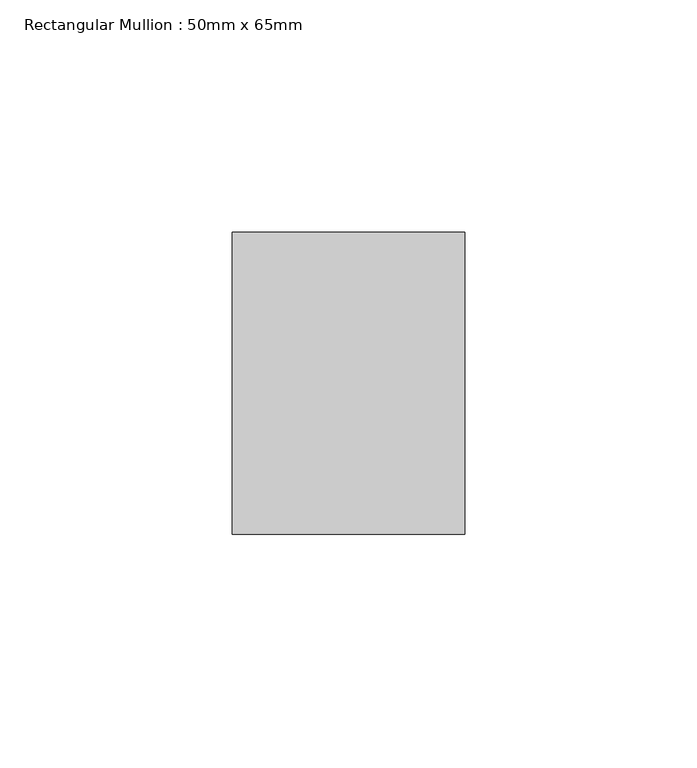
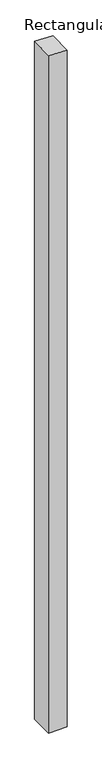
"""IFC4 building model written with IfcOpenShell, lengths in millimetres: member geometry, Rectangular Mullion : 50mm x 65mm."""

from ifc_helpers import new_model, si_unit, origin, place, context, project, spatial, faceted_brep, source, transform, mapped, element, save


def rectangular_mullion_50mm_x_65mm_4ef5baf0(model_context):
    return source(origin(), model_context, "Body", "Brep", [
        faceted_brep([(25.0, 32.5, -1933.1123386), (25.0, -32.5, -1933.1123386), (-25.0, -32.5, -1933.1123386), (-25.0, 32.5, -1933.1123386), (-25.0, 32.5, 2.1351652), (25.0, 32.5, -0.1360827), (-25.0, -32.5, 0.1360827), (25.0, -32.5, -2.1351652)], [[[0, 1, 2, 3]], [[4, 5, 0, 3]], [[6, 4, 3, 2]], [[7, 6, 2, 1]], [[5, 7, 1, 0]], [[5, 4, 6, 7]]]),
    ])


if __name__ == "__main__":
    model = new_model("IFC4")
    model_context = context("Model", 3, world=origin())
    ifc_project = project(units=[si_unit("LENGTHUNIT", "METRE", prefix="MILLI")], contexts=[model_context])
    site = spatial("IfcSite", under=ifc_project)
    building = spatial("IfcBuilding", under=site)
    placement = place(None, origin())
    rectangular_mullion_50mm_x_65mm_shape = rectangular_mullion_50mm_x_65mm_4ef5baf0(model_context)
    element("IfcMember", 1, ObjectType="Rectangular Mullion : 50mm x 65mm", at=placement, inside=building, context=model_context, shape_type="MappedRepresentation", body=[
        mapped(rectangular_mullion_50mm_x_65mm_shape, transform((0.0, 0.0, 0.0), x_axis=(1.0, 0.0, 0.0), y_axis=(0.0, 1.0, 0.0), z_axis=(0.0, 0.0, 1.0))),
    ])
    save(model, "model.ifc")
